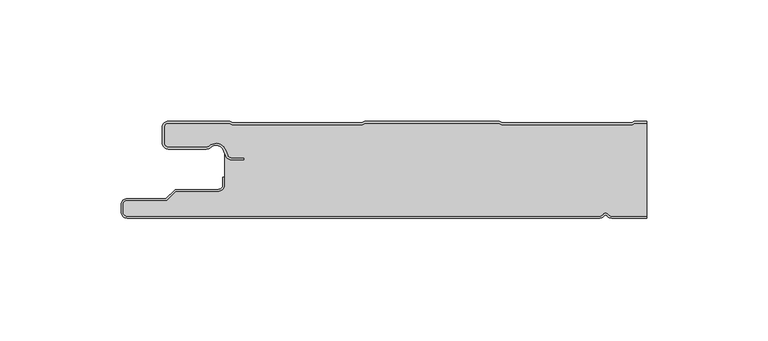
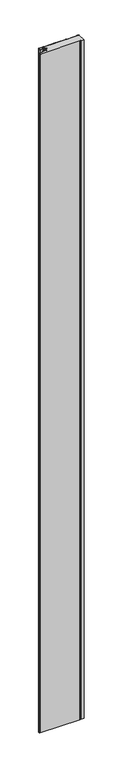
"""IFC4 building model written with IfcOpenShell, lengths in millimetres: plate geometry."""

from ifc_helpers import new_model, si_unit, point, frame_2d, origin, origin_with_axes, place, context, project, spatial, polyline, circle_curve, trimmed, segment, composite_curve, outline, extrude, source, transform, mapped, element, save


def plate_97ea0721(model_context):
    return source(origin(), model_context, "Body", "SweptSolid", [
        extrude(outline(composite_curve([segment(trimmed(circle_curve(frame_2d((-97.49499, -9.0180361)), 2.50501), [point((-97.49499, -11.5230461))], [point((-100.0, -9.0180361))], False, "CARTESIAN"), True, "CONTINUOUS"), segment(polyline([(-100.0, -9.0180361), (-100.0, -2.50501)]), True, "CONTINUOUS"), segment(trimmed(circle_curve(frame_2d((-97.49499, -2.50501)), 2.50501), [point((-100.0, -2.50501))], [point((-97.49499, 0.0))], False, "CARTESIAN"), True, "CONTINUOUS"), segment(polyline([(-97.49499, 0.0), (-72.2103007, 0.0), (-71.028188, -0.6012024), (-17.6391467, -0.6012024), (-16.457034, 0.0), (39.1223647, 0.0), (40.3044773, -0.6012024), (93.6935186, -0.6012024), (94.8756313, 0.0), (100.0, 0.0), (100.0, -0.8), (95.0673777, -0.8), (93.885265, -1.4012024), (40.112731, -1.4012024), (38.9306183, -0.8), (-16.2652876, -0.8), (-17.4474003, -1.4012024), (-71.2199344, -1.4012024), (-72.4020471, -0.8), (-97.49499, -0.8)]), True, "CONTINUOUS"), segment(trimmed(circle_curve(frame_2d((-97.49499, -2.50501)), 1.70501), [point((-97.49499, -0.8))], [point((-99.2, -2.50501))], True, "CARTESIAN"), True, "CONTINUOUS"), segment(polyline([(-99.2, -2.50501), (-99.2, -9.0180361)]), True, "CONTINUOUS"), segment(trimmed(circle_curve(frame_2d((-97.49499, -9.0180361)), 1.70501), [point((-99.2, -9.0180361))], [point((-97.49499, -10.7230461))], True, "CARTESIAN"), True, "CONTINUOUS"), segment(polyline([(-97.49499, -10.7230461), (-81.8173283, -10.7230461)]), True, "CONTINUOUS"), segment(trimmed(circle_curve(frame_2d((-81.8173283, -9.0180361)), 1.70501), [point((-81.8173283, -10.7230461))], [point((-80.6895701, -10.2967936))], True, "CARTESIAN"), True, "CONTINUOUS"), segment(trimmed(circle_curve(frame_2d((-77.8407481, -13.5270541)), 4.307014), [point((-80.6895701, -10.2967936))], [point((-73.7934788, -12.0539686))], False, "CARTESIAN"), True, "CONTINUOUS"), segment(polyline([(-73.7934788, -12.0539686), (-73.0450711, -14.1102019)]), True, "CONTINUOUS"), segment(trimmed(circle_curve(frame_2d((-71.4428858, -13.5270541)), 1.70501), [point((-73.0450711, -14.1102019))], [point((-71.4428858, -15.2320641))], True, "CARTESIAN"), True, "CONTINUOUS"), segment(polyline([(-71.4428858, -15.2320641), (-66.4328657, -15.2320641), (-66.4328657, -16.0320641), (-71.4428858, -16.0320641)]), True, "CONTINUOUS"), segment(trimmed(circle_curve(frame_2d((-71.4428858, -13.5270541)), 2.50501), [point((-71.4428858, -16.0320641))], [point((-73.7968252, -14.383818))], False, "CARTESIAN"), True, "CONTINUOUS"), segment(polyline([(-73.7968252, -14.383818), (-74.5452329, -12.3275847)]), True, "CONTINUOUS"), segment(trimmed(circle_curve(frame_2d((-77.8407481, -13.5270541)), 3.507014), [point((-74.5452329, -12.3275847))], [point((-80.1604199, -10.8967936))], True, "CARTESIAN"), True, "CONTINUOUS"), segment(trimmed(circle_curve(frame_2d((-81.8173283, -9.0180361)), 2.50501), [point((-80.1604199, -10.8967936))], [point((-81.8173283, -11.5230461))], False, "CARTESIAN"), True, "CONTINUOUS"), segment(polyline([(-81.8173283, -11.5230461), (-97.49499, -11.5230461)]), True, "CONTINUOUS")], self_intersect=False)), origin_with_axes(), (0.0, 0.0, 1.0), 3500.0),
        extrude(outline(composite_curve([segment(trimmed(circle_curve(frame_2d((85.5, -37.5)), 1.7), [point((85.5, -39.2))], [point((84.0845596, -38.4415563))], False, "CARTESIAN"), True, "CONTINUOUS"), segment(trimmed(circle_curve(frame_2d((83.0, -39.1630095)), 1.302599), [point((84.0845596, -38.4415563))], [point((81.9154404, -38.4415563))], True, "CARTESIAN"), True, "CONTINUOUS"), segment(trimmed(circle_curve(frame_2d((80.5, -37.5)), 1.7), [point((81.9154404, -38.4415563))], [point((80.5, -39.2))], False, "CARTESIAN"), True, "CONTINUOUS"), segment(polyline([(80.5, -39.2), (-114.5, -39.2)]), True, "CONTINUOUS"), segment(trimmed(circle_curve(frame_2d((-114.5, -37.5)), 1.7), [point((-114.5, -39.2))], [point((-116.2, -37.5))], False, "CARTESIAN"), True, "CONTINUOUS"), segment(polyline([(-116.2, -37.5), (-116.2, -34.5)]), True, "CONTINUOUS"), segment(trimmed(circle_curve(frame_2d((-114.5, -34.5)), 1.7), [point((-116.2, -34.5))], [point((-114.5, -32.8))], False, "CARTESIAN"), True, "CONTINUOUS"), segment(polyline([(-114.5, -32.8), (-98.1686292, -32.8), (-94.4186292, -29.05), (-77.0, -29.05)]), True, "CONTINUOUS"), segment(trimmed(circle_curve(frame_2d((-77.0, -26.25)), 2.8), [point((-77.0, -29.05))], [point((-74.2, -26.25))], True, "CARTESIAN"), True, "CONTINUOUS"), segment(polyline([(-74.2, -26.25), (-74.2, -11.2258973)]), True, "CONTINUOUS"), segment(trimmed(circle_curve(frame_2d((-77.8407481, -13.5270541)), 4.307014), [point((-74.2, -11.2258973))], [point((-80.6895701, -10.2967936))], True, "CARTESIAN"), True, "CONTINUOUS"), segment(trimmed(circle_curve(frame_2d((-81.8173283, -9.0180361)), 1.70501), [point((-80.6895701, -10.2967936))], [point((-81.8173283, -10.7230461))], False, "CARTESIAN"), True, "CONTINUOUS"), segment(polyline([(-81.8173283, -10.7230461), (-97.49499, -10.7230461)]), True, "CONTINUOUS"), segment(trimmed(circle_curve(frame_2d((-97.49499, -9.0180361)), 1.70501), [point((-97.49499, -10.7230461))], [point((-99.2, -9.0180361))], False, "CARTESIAN"), True, "CONTINUOUS"), segment(polyline([(-99.2, -9.0180361), (-99.2, -2.50501)]), True, "CONTINUOUS"), segment(trimmed(circle_curve(frame_2d((-97.49499, -2.50501)), 1.70501), [point((-99.2, -2.50501))], [point((-97.49499, -0.8))], False, "CARTESIAN"), True, "CONTINUOUS"), segment(polyline([(-97.49499, -0.8), (-72.4020471, -0.8), (-71.2199344, -1.4012024), (-17.4474003, -1.4012024), (-16.2652876, -0.8), (38.9306183, -0.8), (40.112731, -1.4012024), (93.885265, -1.4012024), (95.0673777, -0.8), (100.0, -0.8), (100.0, -39.2), (85.5, -39.2)]), True, "CONTINUOUS")], self_intersect=False)), origin_with_axes(), (0.0, 0.0, 1.0), 3500.0),
        extrude(outline(composite_curve([segment(polyline([(80.5, -40.0), (-114.5, -40.0)]), True, "CONTINUOUS"), segment(trimmed(circle_curve(frame_2d((-114.5, -37.5)), 2.5), [point((-114.5, -40.0))], [point((-117.0, -37.5))], False, "CARTESIAN"), True, "CONTINUOUS"), segment(polyline([(-117.0, -37.5), (-117.0, -34.5)]), True, "CONTINUOUS"), segment(trimmed(circle_curve(frame_2d((-114.5, -34.5)), 2.5), [point((-117.0, -34.5))], [point((-114.5, -32.0))], False, "CARTESIAN"), True, "CONTINUOUS"), segment(polyline([(-114.5, -32.0), (-98.5, -32.0), (-94.75, -28.25), (-77.0, -28.25)]), True, "CONTINUOUS"), segment(trimmed(circle_curve(frame_2d((-77.0, -26.25)), 2.0), [point((-77.0, -28.25))], [point((-75.0, -26.25))], True, "CARTESIAN"), True, "CONTINUOUS"), segment(polyline([(-75.0, -26.25), (-75.0, -23.25), (-74.2, -23.25), (-74.2, -26.25)]), True, "CONTINUOUS"), segment(trimmed(circle_curve(frame_2d((-77.0, -26.25)), 2.8), [point((-74.2, -26.25))], [point((-77.0, -29.05))], False, "CARTESIAN"), True, "CONTINUOUS"), segment(polyline([(-77.0, -29.05), (-94.4186292, -29.05), (-98.1686292, -32.8), (-114.5, -32.8)]), True, "CONTINUOUS"), segment(trimmed(circle_curve(frame_2d((-114.5, -34.5)), 1.7), [point((-114.5, -32.8))], [point((-116.2, -34.5))], True, "CARTESIAN"), True, "CONTINUOUS"), segment(polyline([(-116.2, -34.5), (-116.2, -37.5)]), True, "CONTINUOUS"), segment(trimmed(circle_curve(frame_2d((-114.5, -37.5)), 1.7), [point((-116.2, -37.5))], [point((-114.5, -39.2))], True, "CARTESIAN"), True, "CONTINUOUS"), segment(polyline([(-114.5, -39.2), (80.5, -39.2)]), True, "CONTINUOUS"), segment(trimmed(circle_curve(frame_2d((80.5, -37.5)), 1.7), [point((80.5, -39.2))], [point((81.9154404, -38.4415563))], True, "CARTESIAN"), True, "CONTINUOUS"), segment(trimmed(circle_curve(frame_2d((83.0, -39.1630095)), 1.302599), [point((81.9154404, -38.4415563))], [point((84.0845596, -38.4415563))], False, "CARTESIAN"), True, "CONTINUOUS"), segment(trimmed(circle_curve(frame_2d((85.5, -37.5)), 1.7), [point((84.0845596, -38.4415563))], [point((85.5, -39.2))], True, "CARTESIAN"), True, "CONTINUOUS"), segment(polyline([(85.5, -39.2), (100.0, -39.2), (100.0, -40.0), (85.5, -40.0)]), True, "CONTINUOUS"), segment(trimmed(circle_curve(frame_2d((85.5, -37.5)), 2.5), [point((85.5, -40.0))], [point((83.4184699, -38.8846417))], False, "CARTESIAN"), True, "CONTINUOUS"), segment(trimmed(circle_curve(frame_2d((83.0, -39.1630095)), 0.502599), [point((83.4184699, -38.8846417))], [point((82.5815301, -38.8846417))], True, "CARTESIAN"), True, "CONTINUOUS"), segment(trimmed(circle_curve(frame_2d((80.5, -37.5)), 2.5), [point((82.5815301, -38.8846417))], [point((80.5, -40.0))], False, "CARTESIAN"), True, "CONTINUOUS")], self_intersect=False)), origin_with_axes(), (0.0, 0.0, 1.0), 3500.0),
    ])


if __name__ == "__main__":
    model = new_model("IFC4")
    model_context = context("Model", 3, world=origin())
    ifc_project = project(units=[si_unit("LENGTHUNIT", "METRE", prefix="MILLI")], contexts=[model_context])
    site = spatial("IfcSite", under=ifc_project)
    building = spatial("IfcBuilding", under=site)
    placement = place(None, origin())
    plate_shape = plate_97ea0721(model_context)
    element("IfcPlate", 1, at=placement, inside=building, context=model_context, shape_type="MappedRepresentation", body=[
        mapped(plate_shape, transform((0.0, 0.0, 0.0), x_axis=(1.0, 0.0, 0.0), y_axis=(0.0, 1.0, 0.0), z_axis=(0.0, 0.0, 1.0))),
    ])
    save(model, "model.ifc")
